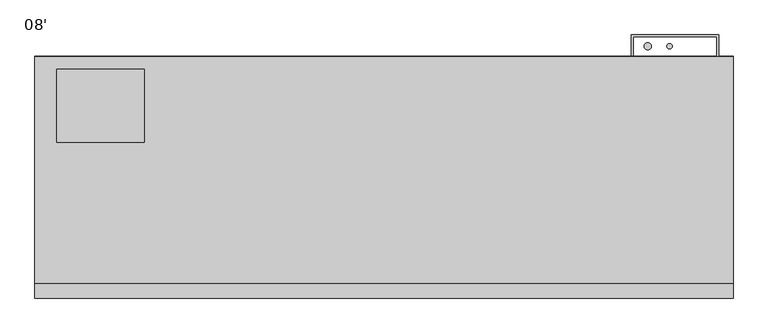
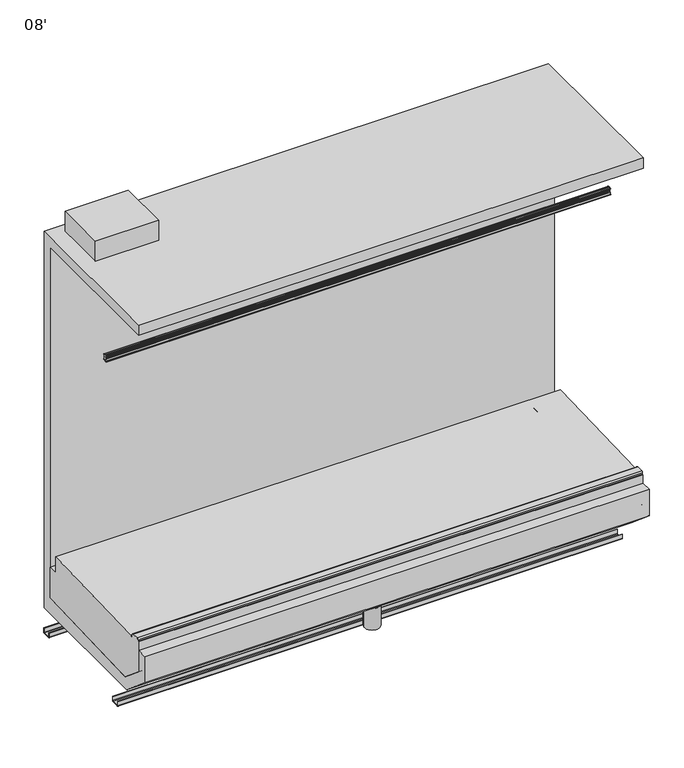
"""IFC4 building model written with IfcOpenShell, lengths in millimetres: proxy geometry, 08'."""

from ifc_helpers import new_model, si_unit, point, frame, frame_2d, origin, origin_with_axes, place, context, project, spatial, polyline, circle_curve, trimmed, segment, composite_curve, outline, extrude, source, transform, mapped, element, save
from ifc_brep_helpers import plane_surface, cylinder_surface, revolved_surface, advanced_brep


def proxy_08_468cc6ae(model_context):
    return source(origin(), model_context, "Body", "SolidModel", [
        extrude(outline(polyline([(381.0, -445.9589273), (381.0, -699.9589273), (76.2, -699.9589273), (76.2, -445.9589273), (381.0, -445.9589273)])), frame((0.0, 0.0, 2053.0), z_axis=(0.0, 0.0, 1.0), x_axis=(1.0, 0.0, 0.0)), (0.0, 0.0, 1.0), 101.6),
        extrude(outline(composite_curve([segment(trimmed(circle_curve(frame_2d((124.866634, -515.3253412)), 12.7), [point((112.166634, -515.3253412))], [point((137.566634, -515.3253412))], False, "CARTESIAN"), True, "CONTINUOUS"), segment(trimmed(circle_curve(frame_2d((124.866634, -515.3253412)), 12.7), [point((137.566634, -515.3253412))], [point((112.166634, -515.3253412))], False, "CARTESIAN"), True, "CONTINUOUS")], self_intersect=False)), frame((0.0, 0.0, 68.5310382), z_axis=(0.0, 0.0, 1.0), x_axis=(1.0, 0.0, 0.0)), (0.0, 0.0, 1.0), 6.35),
        extrude(outline(composite_curve([segment(trimmed(circle_curve(frame_2d((162.966634, -515.3253412)), 12.7), [point((150.266634, -515.3253412))], [point((175.666634, -515.3253412))], False, "CARTESIAN"), True, "CONTINUOUS"), segment(trimmed(circle_curve(frame_2d((162.966634, -515.3253412)), 12.7), [point((175.666634, -515.3253412))], [point((150.266634, -515.3253412))], False, "CARTESIAN"), True, "CONTINUOUS")], self_intersect=False)), frame((0.0, 0.0, 68.5310382), z_axis=(0.0, 0.0, 1.0), x_axis=(1.0, 0.0, 0.0)), (0.0, 0.0, 1.0), 6.35),
        advanced_brep(
        [(2438.4, -500.2639658, 449.111638), (2438.4, -1126.5028947, 427.2428927), (2438.4, -1135.3036375, 427.2438499), (2438.4, -1141.6520836, 433.4891442), (2438.4, -1141.6520836, 441.532731), (2438.4, -1148.0014586, 447.882731), (2438.4, -1181.6652736, 447.8860441), (2438.4, -1188.0158985, 441.5367347), (2438.4, -1188.0165653, 435.4058904), (2438.4, -1192.8459273, 435.4064157), (2438.4, -1192.8459273, 281.2500468), (2438.4, -1082.8646206, 188.9647729), (2438.4, -451.7851762, 211.0025527), (2438.4, -451.7851762, 367.1756257), (2438.4, -500.2639658, 367.1756257), (0.0, -500.2639658, 449.111638), (0.0, -500.2639658, 367.1756257), (0.0, -451.7851762, 367.1756257), (0.0, -451.7851762, 211.0025527), (0.0, -1082.8646206, 188.9647729), (0.0, -1192.8459273, 281.2500468), (0.0, -1192.8459273, 435.4064157), (0.0, -1188.0165653, 435.4058904), (0.0, -1188.0158985, 441.5367347), (0.0, -1181.6652736, 447.8860441), (0.0, -1148.0014586, 447.882731), (0.0, -1141.6520836, 441.532731), (0.0, -1141.6520836, 433.4891442), (0.0, -1135.3036375, 427.2438499), (0.0, -1126.5028947, 427.2428927), (2336.8, -451.7851762, 260.35), (2336.8, -451.7851762, 361.95), (2336.8, -471.3589273, 260.35), (2336.8, -471.3589273, 361.95)],
        [
            (0, 1),
            (1, 2),
            (2, 3, circle_curve(frame((2438.4, -1135.3029469, 433.5938498), z_axis=(-1.0, 0.0, 0.0), x_axis=(0.0, 1.0, 0.0)), 6.35)),
            (3, 4),
            (4, 5, circle_curve(frame((2438.4, -1148.0020836, 441.532731), z_axis=(1.0, 0.0, 0.0), x_axis=(0.0, 1.0, 0.0)), 6.35)),
            (5, 6),
            (6, 7, circle_curve(frame((2438.4, -1181.6658985, 441.5360441), z_axis=(1.0, 0.0, 0.0), x_axis=(0.0, 1.0, 0.0)), 6.35)),
            (7, 8),
            (8, 9),
            (9, 10),
            (10, 11),
            (11, 12),
            (12, 13),
            (13, 14),
            (14, 0),
            (15, 16),
            (16, 17),
            (17, 18),
            (18, 19),
            (19, 20),
            (20, 21),
            (21, 22),
            (22, 23),
            (23, 24, circle_curve(frame((0.0, -1181.6658985, 441.5360441), z_axis=(-1.0, 0.0, 0.0), x_axis=(0.0, 1.0, 0.0)), 6.35)),
            (24, 25),
            (25, 26, circle_curve(frame((0.0, -1148.0020836, 441.532731), z_axis=(-1.0, 0.0, 0.0), x_axis=(0.0, 1.0, 0.0)), 6.35)),
            (26, 27),
            (27, 28, circle_curve(frame((0.0, -1135.3029469, 433.5938498), z_axis=(1.0, 0.0, 0.0), x_axis=(0.0, 1.0, 0.0)), 6.35)),
            (28, 29),
            (29, 15),
            (12, 18),
            (17, 13),
            (30, 31, circle_curve(frame((2336.8, -451.7851762, 311.15), z_axis=(0.0, -1.0, 0.0), x_axis=(0.0, 0.0, 1.0)), 50.8)),
            (31, 30, circle_curve(frame((2336.8, -451.7851762, 311.15), z_axis=(0.0, -1.0, 0.0), x_axis=(0.0, 0.0, 1.0)), 50.8)),
            (16, 14),
            (15, 0),
            (9, 21),
            (20, 10),
            (19, 11),
            (29, 1),
            (28, 2),
            (27, 3),
            (4, 26),
            (25, 5),
            (24, 6),
            (23, 7),
            (22, 8),
            (32, 33, circle_curve(frame((2336.8, -471.3589273, 311.15), z_axis=(0.0, 1.0, 0.0), x_axis=(0.0, 0.0, 1.0)), 50.8)),
            (33, 32, circle_curve(frame((2336.8, -471.3589273, 311.15), z_axis=(0.0, 1.0, 0.0), x_axis=(0.0, 0.0, 1.0)), 50.8)),
            (33, 31),
            (30, 32),
        ],
        [
            plane_surface(frame((2438.4, -1126.5028947, 427.2428927), z_axis=(1.0000000000000002, 0.0, 0.0), x_axis=(0.0, -0.9993908270190762, -0.034899496703061944))),
            plane_surface(frame((0.0, -1126.5028947, 427.2428927), z_axis=(-1.0000000000000002, 0.0, 0.0), x_axis=(0.0, 0.9993908270190762, 0.034899496703061944))),
            plane_surface(frame((2438.4, -451.7851762, 211.0025527), z_axis=(0.0, 1.0, 0.0), x_axis=(-1.0, 0.0, 0.0))),
            plane_surface(frame((2438.4, -451.7851762, 367.1756257), z_axis=(0.0, 0.0, 1.0), x_axis=(-1.0, 0.0, 0.0))),
            plane_surface(frame((2438.4, -500.2639658, 367.1756257), z_axis=(0.0, 1.0, 0.0), x_axis=(-1.0, 0.0, 0.0))),
            plane_surface(frame((2438.4, -1192.8459273, 435.4064157), z_axis=(0.0, -1.0, 0.0), x_axis=(-1.0, 0.0, 0.0))),
            plane_surface(frame((2438.4, -1192.8459273, 281.2500468), z_axis=(0.0, -0.6427876096870722, -0.7660444431185309), x_axis=(-1.0, 0.0, 0.0))),
            plane_surface(frame((2438.4, -1082.8646206, 188.9647729), z_axis=(0.0, 0.03489949670246416, -0.999390827019097), x_axis=(-1.0, 0.0, 0.0))),
            plane_surface(frame((2438.4, -500.2639658, 449.111638), z_axis=(0.0, -0.034899496703061944, 0.9993908270190762), x_axis=(-1.0, 0.0, 0.0))),
            plane_surface(frame((2438.4, -1126.5028947, 427.2428927), z_axis=(0.0, 0.00010875852496434941, 0.9999999940857917), x_axis=(-1.0, 0.0, 0.0))),
            revolved_surface(polyline([(0.0, -1128.9529469000001, 433.5938498), (2438.4, -1128.9529469000001, 433.5938498)]), (0.0, -1135.3029469, 433.5938498), (-1.0, 0.0, 0.0)),
            cylinder_surface(frame((0.0, -1148.0020836, 441.532731), z_axis=(1.0, 0.0, 0.0), x_axis=(0.0, 1.0, 0.0)), 6.35),
            plane_surface(frame((2438.4, -1148.0014586, 447.882731), z_axis=(0.0, 9.841684243872936e-05, 0.9999999951570626), x_axis=(-1.0, 0.0, 0.0))),
            cylinder_surface(frame((0.0, -1181.6658985, 441.5360441), z_axis=(1.0, 0.0, 0.0), x_axis=(0.0, 1.0, 0.0)), 6.35),
            plane_surface(frame((2438.4, -1188.0158985, 441.5367347), z_axis=(0.0, -0.9999999940857938, 0.00010875850531839876), x_axis=(-1.0, 0.0, 0.0))),
            plane_surface(frame((2438.4, -1188.0165653, 435.4058904), z_axis=(0.0, 0.00010875840003332278, 0.9999999940858052), x_axis=(-1.0, 0.0, 0.0))),
            plane_surface(frame((2438.4, -1141.6520836, 433.4891442), z_axis=(0.0, 1.0, 0.0), x_axis=(-1.0, 0.0, 0.0))),
            plane_surface(frame((2336.8, -471.3589273, 361.95), z_axis=(0.0, 1.0, 0.0), x_axis=(-1.0, 0.0, 0.0))),
            revolved_surface(polyline([(2336.8, -471.3589273, 361.95), (2336.8, -451.7851762, 361.95)]), (2336.8, -381.990496, 311.15), (0.0, -1.0, 0.0)),
        ],
        [
            (0, [[1, 2, 3, 4, 5, 6, 7, 8, 9, 10, 11, 12, 13, 14, 15]]),
            (1, [[16, 17, 18, 19, 20, 21, 22, 23, 24, 25, 26, 27, 28, 29, 30]]),
            (2, [[-13, 31, -18, 32], [33, 34]]),
            (3, [[-14, -32, -17, 35]]),
            (4, [[-15, -35, -16, 36]]),
            (5, [[-10, 37, -21, 38]]),
            (6, [[-11, -38, -20, 39]]),
            (7, [[-12, -39, -19, -31]]),
            (8, [[-1, -36, -30, 40]]),
            (9, [[-2, -40, -29, 41]]),
            (10, [[-3, -41, -28, 42]]),
            (11, [[-5, 43, -26, 44]]),
            (12, [[-6, -44, -25, 45]]),
            (13, [[-7, -45, -24, 46]]),
            (14, [[-8, -46, -23, 47]]),
            (15, [[-9, -47, -22, -37]]),
            (16, [[-4, -42, -27, -43]]),
            (17, [[48, 49]]),
            (18, [[-49, 50, -33, 51]]),
            (18, [[-48, -51, -34, -50]]),
        ],
    ),
        advanced_brep(
        [(2438.4, -1093.449669, 130.175), (2438.4, -401.5089273, 130.175), (2438.4, -401.5089273, 2053.0), (2438.4, -1193.4788424, 2053.0), (2438.4, -1193.4788424, 2000.9165757), (2438.4, -451.7851762, 2000.9165757), (2438.4, -451.7851762, 211.0025527), (2438.4, -1082.8646206, 188.9647729), (2438.4, -1192.8459273, 281.2500468), (2438.4, -1192.8459273, 391.0306785), (2438.4, -1243.8542655, 391.0306785), (2438.4, -1243.8542655, 256.3794415), (0.0, -1093.449669, 130.175), (0.0, -1243.8542655, 256.3794415), (0.0, -1243.8542655, 391.0306785), (0.0, -1192.8459273, 391.0306785), (0.0, -1192.8459273, 281.2500468), (0.0, -1082.8646206, 188.9647729), (0.0, -451.7851762, 211.0025527), (0.0, -451.7851762, 2000.9165757), (0.0, -1193.4788424, 2000.9165757), (0.0, -1193.4788424, 2053.0), (0.0, -401.5089273, 2053.0), (0.0, -401.5089273, 130.175), (2336.8, -401.5089273, 260.35), (2336.8, -401.5089273, 361.95), (2336.8, -451.7851762, 361.95), (2336.8, -451.7851762, 260.35)],
        [
            (0, 1),
            (1, 2),
            (2, 3),
            (3, 4),
            (4, 5),
            (5, 6),
            (6, 7),
            (7, 8),
            (8, 9),
            (9, 10),
            (10, 11),
            (11, 0),
            (12, 13),
            (13, 14),
            (14, 15),
            (15, 16),
            (16, 17),
            (17, 18),
            (18, 19),
            (19, 20),
            (20, 21),
            (21, 22),
            (22, 23),
            (23, 12),
            (0, 12),
            (23, 1),
            (22, 2),
            (24, 25, circle_curve(frame((2336.8, -401.5089273, 311.15), z_axis=(0.0, -1.0, 0.0), x_axis=(0.0, 0.0, 1.0)), 50.8)),
            (25, 24, circle_curve(frame((2336.8, -401.5089273, 311.15), z_axis=(0.0, -1.0, 0.0), x_axis=(0.0, 0.0, 1.0)), 50.8)),
            (21, 3),
            (20, 4),
            (19, 5),
            (18, 6),
            (26, 27, circle_curve(frame((2336.8, -451.7851762, 311.15), z_axis=(0.0, 1.0, 0.0), x_axis=(0.0, 0.0, 1.0)), 50.8)),
            (27, 26, circle_curve(frame((2336.8, -451.7851762, 311.15), z_axis=(0.0, 1.0, 0.0), x_axis=(0.0, 0.0, 1.0)), 50.8)),
            (17, 7),
            (16, 8),
            (15, 9),
            (14, 10),
            (13, 11),
            (24, 27),
            (26, 25),
        ],
        [
            plane_surface(frame((2438.4, -401.5089273, 130.175), z_axis=(1.0, 0.0, 0.0), x_axis=(0.0, 1.0, 0.0))),
            plane_surface(frame((0.0, -401.5089273, 130.175), z_axis=(-1.0, 0.0, 0.0), x_axis=(0.0, -1.0, 0.0))),
            plane_surface(frame((2438.4, -1093.449669, 130.175), z_axis=(0.0, 0.0, -1.0), x_axis=(-1.0, 0.0, 0.0))),
            plane_surface(frame((2438.4, -401.5089273, 130.175), z_axis=(0.0, 1.0, 0.0), x_axis=(-1.0, 0.0, 0.0))),
            plane_surface(frame((2438.4, -401.5089273, 2053.0), z_axis=(0.0, 0.0, 1.0), x_axis=(-1.0, 0.0, 0.0))),
            plane_surface(frame((2438.4, -1193.4788424, 2053.0), z_axis=(0.0, -1.0, 0.0), x_axis=(-1.0, 0.0, 0.0))),
            plane_surface(frame((2438.4, -1193.4788424, 2000.9165757), z_axis=(0.0, 0.0, -1.0), x_axis=(-1.0, 0.0, 0.0))),
            plane_surface(frame((2438.4, -451.7851762, 2000.9165757), z_axis=(0.0, -1.0, 0.0), x_axis=(-1.0, 0.0, 0.0))),
            plane_surface(frame((2438.4, -451.7851762, 211.0025527), z_axis=(0.0, -0.03489949670246416, 0.999390827019097), x_axis=(-1.0, 0.0, 0.0))),
            plane_surface(frame((2438.4, -1082.8646206, 188.9647729), z_axis=(0.0, 0.6427876096870722, 0.7660444431185309), x_axis=(-1.0, 0.0, 0.0))),
            plane_surface(frame((2438.4, -1192.8459273, 281.2500468), z_axis=(0.0, 1.0, 0.0), x_axis=(-1.0, 0.0, 0.0))),
            plane_surface(frame((2438.4, -1192.8459273, 391.0306785), z_axis=(0.0, 0.0, 1.0), x_axis=(-1.0, 0.0, 0.0))),
            plane_surface(frame((2438.4, -1243.8542655, 391.0306785), z_axis=(0.0, -1.0, 0.0), x_axis=(-1.0, 0.0, 0.0))),
            plane_surface(frame((2438.4, -1243.8542655, 256.3794415), z_axis=(0.0, -0.6427876096870824, -0.7660444431185224), x_axis=(-1.0, 0.0, 0.0))),
            revolved_surface(polyline([(2336.8, -451.7851762, 361.95), (2336.8, -401.5089273, 361.95)]), (2336.8, -381.990496, 311.15), (0.0, -1.0, 0.0)),
        ],
        [
            (0, [[1, 2, 3, 4, 5, 6, 7, 8, 9, 10, 11, 12]]),
            (1, [[13, 14, 15, 16, 17, 18, 19, 20, 21, 22, 23, 24]]),
            (2, [[-1, 25, -24, 26]]),
            (3, [[-2, -26, -23, 27], [28, 29]]),
            (4, [[-3, -27, -22, 30]]),
            (5, [[-4, -30, -21, 31]]),
            (6, [[-5, -31, -20, 32]]),
            (7, [[-6, -32, -19, 33], [34, 35]]),
            (8, [[-7, -33, -18, 36]]),
            (9, [[-8, -36, -17, 37]]),
            (10, [[-9, -37, -16, 38]]),
            (11, [[-10, -38, -15, 39]]),
            (12, [[-11, -39, -14, 40]]),
            (13, [[-12, -40, -13, -25]]),
            (14, [[41, -34, 42, -28]]),
            (14, [[-41, -29, -42, -35]]),
        ],
    ),
        extrude(outline(composite_curve([segment(polyline([(-401.5089273, 24.892), (-398.7403273, 24.892), (-398.7403273, 5.1562)]), True, "CONTINUOUS"), segment(trimmed(circle_curve(frame_2d((-403.8965273, 5.1562)), 5.1562), [point((-398.7403273, 5.1562))], [point((-399.435967, 2.5697351))], False, "CARTESIAN"), True, "CONTINUOUS"), segment(trimmed(circle_curve(frame_2d((-403.8965273, 5.1562)), 5.1562), [point((-399.435967, 2.5697351))], [point((-403.8965273, 0.0))], False, "CARTESIAN"), True, "CONTINUOUS"), segment(polyline([(-403.8965273, 0.0), (-438.8088273, 0.0)]), True, "CONTINUOUS"), segment(trimmed(circle_curve(frame_2d((-438.8088273, 5.1562)), 5.1562), [point((-438.8088273, 0.0))], [point((-443.9650273, 5.1562))], False, "CARTESIAN"), True, "CONTINUOUS"), segment(polyline([(-443.9650273, 5.1562), (-443.9650273, 24.9047), (-441.1964273, 24.9047), (-441.1964273, 5.1562)]), True, "CONTINUOUS"), segment(trimmed(circle_curve(frame_2d((-438.8088273, 5.1562)), 2.3876), [point((-441.1964273, 5.1562))], [point((-438.8088273, 2.7686))], True, "CARTESIAN"), True, "CONTINUOUS"), segment(polyline([(-438.8088273, 2.7686), (-403.8965273, 2.7686)]), True, "CONTINUOUS"), segment(trimmed(circle_curve(frame_2d((-403.8965273, 5.1562)), 2.3876), [point((-403.8965273, 2.7686))], [point((-401.5089273, 5.1562))], True, "CARTESIAN"), True, "CONTINUOUS"), segment(polyline([(-401.5089273, 5.1562), (-401.5089273, 24.892)]), True, "CONTINUOUS")], self_intersect=False)), frame((0.0, 0.0, 0.0), z_axis=(1.0, 0.0, 0.0), x_axis=(0.0, 1.0, 0.0)), (0.0, 0.0, 1.0), 2438.4),
        extrude(outline(composite_curve([segment(trimmed(circle_curve(frame_2d((1219.2, -1036.5089273)), 38.1), [point((1181.1, -1036.5089273))], [point((1257.3, -1036.5089273))], False, "CARTESIAN"), True, "CONTINUOUS"), segment(trimmed(circle_curve(frame_2d((1219.2, -1036.5089273)), 38.1), [point((1257.3, -1036.5089273))], [point((1181.1, -1036.5089273))], False, "CARTESIAN"), True, "CONTINUOUS")], self_intersect=False)), origin_with_axes(), (0.0, 0.0, 1.0), 109.7534),
        extrude(outline(composite_curve([segment(trimmed(circle_curve(frame_2d((311.15, 2359.6101353)), 12.7), [point((298.45, 2359.6101353))], [point((323.85, 2359.6101353))], False, "CARTESIAN"), True, "CONTINUOUS"), segment(trimmed(circle_curve(frame_2d((311.15, 2359.6101353)), 12.7), [point((323.85, 2359.6101353))], [point((298.45, 2359.6101353))], False, "CARTESIAN"), True, "CONTINUOUS")], self_intersect=False)), frame((0.0, -471.3589273, 0.0), z_axis=(0.0, 1.0, 0.0), x_axis=(0.0, 0.0, 1.0)), (0.0, 0.0, 1.0), 69.85),
        extrude(outline(composite_curve([segment(trimmed(circle_curve(frame_2d((311.15, 2313.9898647)), 9.525), [point((301.625, 2313.9898647))], [point((320.675, 2313.9898647))], False, "CARTESIAN"), True, "CONTINUOUS"), segment(trimmed(circle_curve(frame_2d((311.15, 2313.9898647)), 9.525), [point((320.675, 2313.9898647))], [point((301.625, 2313.9898647))], False, "CARTESIAN"), True, "CONTINUOUS")], self_intersect=False)), frame((0.0, -471.3589273, 0.0), z_axis=(0.0, 1.0, 0.0), x_axis=(0.0, 0.0, 1.0)), (0.0, 0.0, 1.0), 69.85),
        extrude(outline(polyline([(2381.818325, -330.9058645), (2089.718325, -330.9058645), (2089.718325, -398.7403273), (2083.368325, -398.7403273), (2083.368325, -325.3089273), (2388.168325, -325.3089273), (2388.168325, -401.5089273), (2381.818325, -401.5089273), (2381.818325, -330.9058645)])), frame((0.0, 0.0, 206.3320589), z_axis=(0.0, 0.0, 1.0), x_axis=(1.0, 0.0, 0.0)), (0.0, 0.0, 1.0), 1452.7159789),
        extrude(outline(composite_curve([segment(trimmed(circle_curve(frame_2d((2140.518325, -364.899036)), 12.7), [point((2127.818325, -364.899036))], [point((2153.218325, -364.899036))], False, "CARTESIAN"), True, "CONTINUOUS"), segment(trimmed(circle_curve(frame_2d((2140.518325, -364.899036)), 12.7), [point((2153.218325, -364.899036))], [point((2127.818325, -364.899036))], False, "CARTESIAN"), True, "CONTINUOUS")], self_intersect=False)), frame((0.0, 0.0, 1562.7753116), z_axis=(0.0, 0.0, 1.0), x_axis=(1.0, 0.0, 0.0)), (0.0, 0.0, 1.0), 159.9413001),
        extrude(outline(composite_curve([segment(trimmed(circle_curve(frame_2d((2216.718325, -364.899036)), 9.525), [point((2207.193325, -364.899036))], [point((2226.243325, -364.899036))], False, "CARTESIAN"), True, "CONTINUOUS"), segment(trimmed(circle_curve(frame_2d((2216.718325, -364.899036)), 9.525), [point((2226.243325, -364.899036))], [point((2207.193325, -364.899036))], False, "CARTESIAN"), True, "CONTINUOUS")], self_intersect=False)), frame((0.0, 0.0, 1562.7753116), z_axis=(0.0, 0.0, 1.0), x_axis=(1.0, 0.0, 0.0)), (0.0, 0.0, 1.0), 159.9413001),
        extrude(outline(composite_curve([segment(polyline([(-977.7506561, 24.892), (-974.9820561, 24.892), (-974.9820561, 5.1562)]), True, "CONTINUOUS"), segment(trimmed(circle_curve(frame_2d((-980.1382561, 5.1562)), 5.1562), [point((-974.9820561, 5.1562))], [point((-975.6776958, 2.5697351))], False, "CARTESIAN"), True, "CONTINUOUS"), segment(trimmed(circle_curve(frame_2d((-980.1382561, 5.1562)), 5.1562), [point((-975.6776958, 2.5697351))], [point((-980.1382561, 0.0))], False, "CARTESIAN"), True, "CONTINUOUS"), segment(polyline([(-980.1382561, 0.0), (-1015.0505561, 0.0)]), True, "CONTINUOUS"), segment(trimmed(circle_curve(frame_2d((-1015.0505561, 5.1562)), 5.1562), [point((-1015.0505561, 0.0))], [point((-1020.2067561, 5.1562))], False, "CARTESIAN"), True, "CONTINUOUS"), segment(polyline([(-1020.2067561, 5.1562), (-1020.2067561, 24.9047), (-1017.4381561, 24.9047), (-1017.4381561, 5.1562)]), True, "CONTINUOUS"), segment(trimmed(circle_curve(frame_2d((-1015.0505561, 5.1562)), 2.3876), [point((-1017.4381561, 5.1562))], [point((-1015.0505561, 2.7686))], True, "CARTESIAN"), True, "CONTINUOUS"), segment(polyline([(-1015.0505561, 2.7686), (-980.1382561, 2.7686)]), True, "CONTINUOUS"), segment(trimmed(circle_curve(frame_2d((-980.1382561, 5.1562)), 2.3876), [point((-980.1382561, 2.7686))], [point((-977.7506561, 5.1562))], True, "CARTESIAN"), True, "CONTINUOUS"), segment(polyline([(-977.7506561, 5.1562), (-977.7506561, 24.892)]), True, "CONTINUOUS")], self_intersect=False)), frame((0.0, 0.0, 0.0), z_axis=(1.0, 0.0, 0.0), x_axis=(0.0, 1.0, 0.0)), (0.0, 0.0, 1.0), 2438.4),
        advanced_brep(
        [(2438.4, -902.6931295, 1727.3075286), (2438.4, -901.7243099, 1727.6885286), (2438.4, -902.8390735, 1730.5231871), (2438.4, -905.9012623, 1732.6167077), (2438.4, -908.3652606, 1732.6247138), (2438.4, -908.3652606, 1704.0828354), (2438.4, -910.4874517, 1701.5774341), (2438.4, -914.7493725, 1700.8731899), (2438.4, -917.4469208, 1704.4916046), (2438.4, -914.3596606, 1717.0478082), (2438.4, -914.3596606, 1732.6247138), (2438.4, -919.5201751, 1732.6247138), (2438.4, -920.545241, 1732.1045613), (2438.4, -921.6281952, 1729.8544831), (2438.4, -920.6442857, 1729.6607751), (2438.4, -920.0507066, 1731.2579447), (2438.4, -919.2029406, 1731.4273519), (2438.4, -917.1624717, 1728.3298316), (2438.4, -916.2734717, 1728.3298316), (2438.4, -916.2734717, 1723.5154593), (2438.4, -915.4867719, 1723.3208329), (2438.4, -916.2860613, 1720.0900228), (2438.4, -916.3394429, 1717.0318787), (2438.4, -916.382618, 1715.9093735), (2438.4, -916.5259319, 1714.2657553), (2438.4, -916.9841164, 1711.5098777), (2438.4, -917.3803385, 1709.9083074), (2438.4, -921.1921567, 1701.6305848), (2438.4, -922.0946495, 1701.7496918), (2438.4, -922.5752577, 1703.1954368), (2438.4, -923.5448561, 1702.9314817), (2438.4, -923.1493051, 1701.7804452), (2438.4, -917.5263496, 1698.0213504), (2438.4, -904.9718522, 1700.0874013), (2438.4, -902.4051937, 1702.2161722), (2438.4, -901.4299592, 1704.8954615), (2438.4, -902.4324233, 1705.2603286), (2438.4, -903.2891388, 1703.4720652), (2438.4, -906.910186, 1704.3817952), (2438.4, -907.0320908, 1728.1919806), (2438.4, -903.357335, 1728.9956276), (0.0, -902.6931295, 1727.3075286), (0.0, -903.357335, 1728.9956276), (0.0, -907.0320908, 1728.1919806), (0.0, -906.910186, 1704.3817952), (0.0, -903.2891388, 1703.4720652), (0.0, -902.4324233, 1705.2603286), (0.0, -901.4299592, 1704.8954615), (0.0, -902.4051937, 1702.2161722), (0.0, -904.9718522, 1700.0874013), (0.0, -917.5263496, 1698.0213504), (0.0, -923.149286, 1701.7804537), (0.0, -923.5448561, 1702.9314817), (0.0, -922.5752577, 1703.1954368), (0.0, -922.0946495, 1701.7496918), (0.0, -921.1921848, 1701.6306037), (0.0, -917.3803385, 1709.9083074), (0.0, -916.9841164, 1711.5098777), (0.0, -916.5259319, 1714.2657553), (0.0, -916.382618, 1715.9093735), (0.0, -916.3394429, 1717.0318787), (0.0, -916.2860613, 1720.0900228), (0.0, -915.4867719, 1723.3208329), (0.0, -916.2734717, 1723.5154593), (0.0, -916.2734717, 1728.3298316), (0.0, -917.1624717, 1728.3298316), (0.0, -919.2029343, 1731.4273578), (0.0, -920.0507066, 1731.2579447), (0.0, -920.6442857, 1729.6607751), (0.0, -921.6281903, 1729.8544818), (0.0, -920.5452539, 1732.1045707), (0.0, -919.5201751, 1732.6247012), (0.0, -914.3596606, 1732.6247138), (0.0, -914.3596606, 1717.0478082), (0.0, -917.4469208, 1704.4916046), (0.0, -914.7493725, 1700.8731899), (0.0, -910.4874517, 1701.5774341), (0.0, -908.3652606, 1704.0828354), (0.0, -908.3652606, 1732.6247138), (0.0, -905.9012623, 1732.6167077), (0.0, -902.8390735, 1730.5231871), (0.0, -901.7243099, 1727.6885286)],
        [
            (0, 1),
            (1, 2),
            (2, 3, circle_curve(frame((2438.4, -905.9119913, 1729.3147251), z_axis=(1.0, 0.0, 0.0), x_axis=(0.0, 1.0, 0.0)), 3.302)),
            (3, 4),
            (4, 5),
            (5, 6, circle_curve(frame((2438.4, -910.9052606, 1704.0828354), z_axis=(-1.0, 0.0, 0.0), x_axis=(0.0, 1.0, 0.0)), 2.54)),
            (6, 7),
            (7, 8, circle_curve(frame((2438.4, -915.163469, 1703.3792046), z_axis=(-1.0, 0.0, 0.0), x_axis=(0.0, 1.0, 0.0)), 2.5399972)),
            (8, 9, circle_curve(frame((2438.4, -945.8394817, 1718.130276), z_axis=(1.0, 0.0, 0.0), x_axis=(0.0, 1.0, 0.0)), 31.4984265)),
            (9, 10),
            (10, 11),
            (11, 12, circle_curve(frame((2438.4, -919.5202548, 1731.3547138), z_axis=(1.0, 0.0, 0.0), x_axis=(0.0, 1.0, 0.0)), 1.2699874)),
            (12, 13, circle_curve(frame((2438.4, -915.0105356, 1728.0551268), z_axis=(1.0, 0.0, 0.0), x_axis=(0.0, 1.0, 0.0)), 6.8579226)),
            (13, 14, circle_curve(frame((2438.4, -921.143137, 1729.722586), z_axis=(1.0, 0.0, 0.0), x_axis=(0.0, 1.0, 0.0)), 0.5026661)),
            (14, 15),
            (15, 16, circle_curve(frame((2438.4, -919.5745346, 1731.080978), z_axis=(-1.0, 0.0, 0.0), x_axis=(0.0, 1.0, 0.0)), 0.5079931)),
            (16, 17, circle_curve(frame((2438.4, -927.3217632, 1723.8583356), z_axis=(-1.0, 0.0, 0.0), x_axis=(0.0, 1.0, 0.0)), 11.0997964)),
            (17, 18),
            (18, 19),
            (19, 20),
            (20, 21),
            (21, 22),
            (22, 23, circle_curve(frame((2438.4, -944.909409, 1717.568686), z_axis=(-1.0, 0.0, 0.0), x_axis=(0.0, 1.0, 0.0)), 28.5750087)),
            (23, 24, circle_curve(frame((2438.4, -916.847274, 1715.1218316), z_axis=(-1.0, 0.0, 0.0), x_axis=(0.0, 1.0, 0.0)), 0.9144)),
            (24, 25, circle_curve(frame((2438.4, -944.909409, 1717.568686), z_axis=(-1.0, 0.0, 0.0), x_axis=(0.0, 1.0, 0.0)), 28.5750087)),
            (25, 26, circle_curve(frame((2438.4, -917.5651726, 1710.8038316), z_axis=(-1.0, 0.0, 0.0), x_axis=(0.0, 1.0, 0.0)), 0.9144)),
            (26, 27, circle_curve(frame((2438.4, -944.909409, 1717.568686), z_axis=(-1.0, 0.0, 0.0), x_axis=(0.0, 1.0, 0.0)), 28.5750087)),
            (27, 28, circle_curve(frame((2438.4, -921.6139006, 1701.9138278), z_axis=(-1.0, 0.0, 0.0), x_axis=(0.0, 1.0, 0.0)), 0.5079962)),
            (28, 29),
            (29, 30, circle_curve(frame((2438.4, -923.0561634, 1703.049157), z_axis=(1.0, 0.0, 0.0), x_axis=(0.0, 1.0, 0.0)), 0.502661)),
            (30, 31, circle_curve(frame((2438.4, -916.8870114, 1704.575951), z_axis=(1.0, 0.0, 0.0), x_axis=(0.0, 1.0, 0.0)), 6.857928)),
            (31, 32, circle_curve(frame((2438.4, -917.3508154, 1704.3689156), z_axis=(1.0, 0.0, 0.0), x_axis=(0.0, 1.0, 0.0)), 6.3499919)),
            (32, 33),
            (33, 34, circle_curve(frame((2438.4, -905.508039, 1703.3455768), z_axis=(1.0, 0.0, 0.0), x_axis=(0.0, 1.0, 0.0)), 3.302)),
            (34, 35),
            (35, 36),
            (36, 37),
            (37, 38, circle_curve(frame((2438.4, -905.0071585, 1704.2951286), z_axis=(-1.0, 0.0, 0.0), x_axis=(0.0, 1.0, 0.0)), 1.905)),
            (38, 39, circle_curve(frame((2438.4, -1141.9102596, 1715.0840326), z_axis=(1.0, 0.0, 0.0), x_axis=(0.0, 1.0, 0.0)), 235.2436449)),
            (39, 40, circle_curve(frame((2438.4, -905.1300505, 1728.2981286), z_axis=(-1.0, 0.0, 0.0), x_axis=(0.0, 1.0, 0.0)), 1.905)),
            (40, 0),
            (41, 42),
            (42, 43, circle_curve(frame((0.0, -905.1300505, 1728.2981286), z_axis=(1.0, 0.0, 0.0), x_axis=(0.0, 1.0, 0.0)), 1.905)),
            (43, 44, circle_curve(frame((0.0, -1141.9102596, 1715.0840326), z_axis=(-1.0, 0.0, 0.0), x_axis=(0.0, 1.0, 0.0)), 235.2436449)),
            (44, 45, circle_curve(frame((0.0, -905.0071585, 1704.2951286), z_axis=(1.0, 0.0, 0.0), x_axis=(0.0, 1.0, 0.0)), 1.905)),
            (45, 46),
            (46, 47),
            (47, 48),
            (48, 49, circle_curve(frame((0.0, -905.508039, 1703.3455768), z_axis=(-1.0, 0.0, 0.0), x_axis=(0.0, 1.0, 0.0)), 3.302)),
            (49, 50),
            (50, 51, circle_curve(frame((0.0, -917.3508154, 1704.3689156), z_axis=(-1.0, 0.0, 0.0), x_axis=(0.0, 1.0, 0.0)), 6.3499919)),
            (51, 52, circle_curve(frame((0.0, -916.8870114, 1704.575951), z_axis=(-1.0, 0.0, 0.0), x_axis=(0.0, 1.0, 0.0)), 6.857928)),
            (52, 53, circle_curve(frame((0.0, -923.0561634, 1703.049157), z_axis=(-1.0, 0.0, 0.0), x_axis=(0.0, 1.0, 0.0)), 0.502661)),
            (53, 54),
            (54, 55, circle_curve(frame((0.0, -921.6139006, 1701.9138278), z_axis=(1.0, 0.0, 0.0), x_axis=(0.0, 1.0, 0.0)), 0.5079962)),
            (55, 56, circle_curve(frame((0.0, -944.909409, 1717.568686), z_axis=(1.0, 0.0, 0.0), x_axis=(0.0, 1.0, 0.0)), 28.5750087)),
            (56, 57, circle_curve(frame((0.0, -917.5651726, 1710.8038316), z_axis=(1.0, 0.0, 0.0), x_axis=(0.0, 1.0, 0.0)), 0.9144)),
            (57, 58, circle_curve(frame((0.0, -944.909409, 1717.568686), z_axis=(1.0, 0.0, 0.0), x_axis=(0.0, 1.0, 0.0)), 28.5750087)),
            (58, 59, circle_curve(frame((0.0, -916.847274, 1715.1218316), z_axis=(1.0, 0.0, 0.0), x_axis=(0.0, 1.0, 0.0)), 0.9144)),
            (59, 60, circle_curve(frame((0.0, -944.909409, 1717.568686), z_axis=(1.0, 0.0, 0.0), x_axis=(0.0, 1.0, 0.0)), 28.5750087)),
            (60, 61),
            (61, 62),
            (62, 63),
            (63, 64),
            (64, 65),
            (65, 66, circle_curve(frame((0.0, -927.3217632, 1723.8583356), z_axis=(1.0, 0.0, 0.0), x_axis=(0.0, 1.0, 0.0)), 11.0997964)),
            (66, 67, circle_curve(frame((0.0, -919.5745346, 1731.080978), z_axis=(1.0, 0.0, 0.0), x_axis=(0.0, 1.0, 0.0)), 0.5079931)),
            (67, 68),
            (68, 69, circle_curve(frame((0.0, -921.143137, 1729.722586), z_axis=(-1.0, 0.0, 0.0), x_axis=(0.0, 1.0, 0.0)), 0.5026661)),
            (69, 70, circle_curve(frame((0.0, -915.0105356, 1728.0551268), z_axis=(-1.0, 0.0, 0.0), x_axis=(0.0, 1.0, 0.0)), 6.8579226)),
            (70, 71, circle_curve(frame((0.0, -919.5202548, 1731.3547138), z_axis=(-1.0, 0.0, 0.0), x_axis=(0.0, 1.0, 0.0)), 1.2699874)),
            (71, 72),
            (72, 73),
            (73, 74, circle_curve(frame((0.0, -945.8394817, 1718.130276), z_axis=(-1.0, 0.0, 0.0), x_axis=(0.0, 1.0, 0.0)), 31.4984265)),
            (74, 75, circle_curve(frame((0.0, -915.163469, 1703.3792046), z_axis=(1.0, 0.0, 0.0), x_axis=(0.0, 1.0, 0.0)), 2.5399972)),
            (75, 76),
            (76, 77, circle_curve(frame((0.0, -910.9052606, 1704.0828354), z_axis=(1.0, 0.0, 0.0), x_axis=(0.0, 1.0, 0.0)), 2.54)),
            (77, 78),
            (78, 79),
            (79, 80, circle_curve(frame((0.0, -905.9119913, 1729.3147251), z_axis=(-1.0, 0.0, 0.0), x_axis=(0.0, 1.0, 0.0)), 3.302)),
            (80, 81),
            (81, 41),
            (0, 41),
            (81, 1),
            (80, 2),
            (79, 3),
            (78, 4),
            (77, 5),
            (76, 6),
            (75, 7),
            (74, 8),
            (73, 9),
            (72, 10),
            (71, 11),
            (70, 12),
            (69, 13),
            (68, 14),
            (67, 15),
            (66, 16),
            (65, 17),
            (64, 18),
            (63, 19),
            (62, 20),
            (61, 21),
            (60, 22),
            (59, 23),
            (58, 24),
            (57, 25),
            (56, 26),
            (55, 27),
            (54, 28),
            (53, 29),
            (52, 30),
            (51, 31),
            (50, 32),
            (49, 33),
            (48, 34),
            (47, 35),
            (46, 36),
            (45, 37),
            (44, 38),
            (43, 39),
            (42, 40),
        ],
        [
            plane_surface(frame((2438.4, -901.7243099, 1727.6885286), z_axis=(1.0, 0.0, 0.0), x_axis=(0.0, 0.9306231900674675, 0.36597879461609556))),
            plane_surface(frame((0.0, -901.7243099, 1727.6885286), z_axis=(-1.0, 0.0, 0.0), x_axis=(0.0, -0.9306231900674675, -0.36597879461609556))),
            plane_surface(frame((2438.4, -902.6931295, 1727.3075286), z_axis=(0.0, 0.36597879461609556, -0.9306231900674675), x_axis=(-1.0, 0.0, 0.0))),
            plane_surface(frame((2438.4, -901.7243099, 1727.6885286), z_axis=(0.0, 0.9306231900759734, 0.3659787945944668), x_axis=(-1.0, 0.0, 0.0))),
            cylinder_surface(frame((0.0, -905.9119913, 1729.3147251), z_axis=(1.0, 0.0, 0.0), x_axis=(0.0, 1.0, 0.0)), 3.302),
            plane_surface(frame((2438.4, -905.9012623, 1732.6167077), z_axis=(0.0, 0.0032492421037266625, 0.9999947211989428), x_axis=(-1.0, 0.0, 0.0))),
            plane_surface(frame((2438.4, -908.3652606, 1732.6247138), z_axis=(0.0, -1.0, 0.0), x_axis=(-1.0, 0.0, 0.0))),
            revolved_surface(polyline([(0.0, -908.3652606, 1704.0828354), (2438.4, -908.3652606, 1704.0828354)]), (0.0, -910.9052606, 1704.0828354), (-1.0, 0.0, 0.0)),
            plane_surface(frame((2438.4, -910.4874517, 1701.5774341), z_axis=(0.0, -0.16303029417402248, 0.9866210636214553), x_axis=(-1.0, 0.0, 0.0))),
            revolved_surface(polyline([(0.0, -912.6234718, 1703.3792046), (2438.4, -912.6234718, 1703.3792046)]), (0.0, -915.163469, 1703.3792046), (-1.0, 0.0, 0.0)),
            cylinder_surface(frame((0.0, -945.8394817, 1718.130276), z_axis=(1.0, 0.0, 0.0), x_axis=(0.0, 1.0, 0.0)), 31.4984265),
            plane_surface(frame((2438.4, -914.3596606, 1717.0478082), z_axis=(0.0, 1.0, 0.0), x_axis=(-1.0, 0.0, 0.0))),
            plane_surface(frame((2438.4, -914.3596606, 1732.6247138), z_axis=(0.0, -1.119160319973389e-12, 1.0), x_axis=(-1.0, 0.0, 0.0))),
            cylinder_surface(frame((0.0, -919.5202548, 1731.3547138), z_axis=(1.0, 0.0, 0.0), x_axis=(0.0, 1.0, 0.0)), 1.2699874),
            cylinder_surface(frame((0.0, -915.0105356, 1728.0551268), z_axis=(1.0, 0.0, 0.0), x_axis=(0.0, 1.0, 0.0)), 6.8579226),
            cylinder_surface(frame((0.0, -921.143137, 1729.722586), z_axis=(1.0, 0.0, 0.0), x_axis=(0.0, 1.0, 0.0)), 0.5026661),
            plane_surface(frame((2438.4, -920.6442857, 1729.6607751), z_axis=(0.0, 0.9373592211117492, -0.34836430729449747), x_axis=(-1.0, 0.0, 0.0))),
            revolved_surface(polyline([(0.0, -919.0665415, 1731.080978), (2438.4, -919.0665415, 1731.080978)]), (0.0, -919.5745346, 1731.080978), (-1.0, 0.0, 0.0)),
            revolved_surface(polyline([(0.0, -916.2219668, 1723.8583356), (2438.4, -916.2219668, 1723.8583356)]), (0.0, -927.3217632, 1723.8583356), (-1.0, 0.0, 0.0)),
            plane_surface(frame((2438.4, -917.1624717, 1728.3298316), z_axis=(0.0, 3.0451831539108525e-12, -1.0), x_axis=(-1.0, 0.0, 0.0))),
            plane_surface(frame((2438.4, -916.2734717, 1728.3298316), z_axis=(0.0, -1.0, 0.0), x_axis=(-1.0, 0.0, 0.0))),
            plane_surface(frame((2438.4, -916.2734717, 1723.5154593), z_axis=(0.0, -0.24015578728025933, -0.9707343600778736), x_axis=(-1.0, 0.0, 0.0))),
            plane_surface(frame((2438.4, -915.4867719, 1723.3208329), z_axis=(0.0, -0.9707343600778305, 0.2401557872804336), x_axis=(-1.0, 0.0, 0.0))),
            plane_surface(frame((2438.4, -916.2860613, 1720.0900228), z_axis=(0.0, -0.9998476868214559, 0.017452883938876798), x_axis=(-1.0, 0.0, 0.0))),
            revolved_surface(polyline([(0.0, -916.3344003, 1717.568686), (2438.4, -916.3344003, 1717.568686)]), (0.0, -944.909409, 1717.568686), (-1.0, 0.0, 0.0)),
            revolved_surface(polyline([(0.0, -915.932874, 1715.1218316), (2438.4, -915.932874, 1715.1218316)]), (0.0, -916.847274, 1715.1218316), (-1.0, 0.0, 0.0)),
            revolved_surface(polyline([(0.0, -916.6507726, 1710.8038316), (2438.4, -916.6507726, 1710.8038316)]), (0.0, -917.5651726, 1710.8038316), (-1.0, 0.0, 0.0)),
            revolved_surface(polyline([(0.0, -921.1059044, 1701.9138278), (2438.4, -921.1059044, 1701.9138278)]), (0.0, -921.6139006, 1701.9138278), (-1.0, 0.0, 0.0)),
            plane_surface(frame((2438.4, -922.0946495, 1701.7496918), z_axis=(0.0, 0.9489403078347962, 0.3154556897036448), x_axis=(-1.0, 0.0, 0.0))),
            cylinder_surface(frame((0.0, -923.0561634, 1703.049157), z_axis=(1.0, 0.0, 0.0), x_axis=(0.0, 1.0, 0.0)), 0.502661),
            cylinder_surface(frame((0.0, -916.8870114, 1704.575951), z_axis=(1.0, 0.0, 0.0), x_axis=(0.0, 1.0, 0.0)), 6.857928),
            cylinder_surface(frame((0.0, -917.3508154, 1704.3689156), z_axis=(1.0, 0.0, 0.0), x_axis=(0.0, 1.0, 0.0)), 6.3499919),
            plane_surface(frame((2438.4, -917.5263496, 1698.0213504), z_axis=(0.0, 0.16238245504540536, -0.9867278947579353), x_axis=(-1.0, 0.0, 0.0))),
            cylinder_surface(frame((0.0, -905.508039, 1703.3455768), z_axis=(1.0, 0.0, 0.0), x_axis=(0.0, 1.0, 0.0)), 3.302),
            plane_surface(frame((2438.4, -902.4051937, 1702.2161722), z_axis=(0.0, 0.9396866512804775, -0.3420365439617273), x_axis=(-1.0, 0.0, 0.0))),
            plane_surface(frame((2438.4, -901.4299592, 1704.8954615), z_axis=(0.0, 0.342020143308865, 0.9396926207920244), x_axis=(-1.0, 0.0, 0.0))),
            plane_surface(frame((2438.4, -902.4324233, 1705.2603286), z_axis=(0.0, -0.9018476084868239, 0.4320542686591541), x_axis=(-1.0, 0.0, 0.0))),
            revolved_surface(polyline([(0.0, -903.1021585, 1704.2951286), (2438.4, -903.1021585, 1704.2951286)]), (0.0, -905.0071585, 1704.2951286), (-1.0, 0.0, 0.0)),
            cylinder_surface(frame((0.0, -1141.9102596, 1715.0840326), z_axis=(1.0, 0.0, 0.0), x_axis=(0.0, 1.0, 0.0)), 235.2436449),
            revolved_surface(polyline([(0.0, -903.2250505000001, 1728.2981286), (2438.4, -903.2250505000001, 1728.2981286)]), (0.0, -905.1300505, 1728.2981286), (-1.0, 0.0, 0.0)),
            plane_surface(frame((2438.4, -903.357335, 1728.9956276), z_axis=(0.0, -0.93055930054145, -0.36614121343520956), x_axis=(-1.0, 0.0, 0.0))),
        ],
        [
            (0, [[1, 2, 3, 4, 5, 6, 7, 8, 9, 10, 11, 12, 13, 14, 15, 16, 17, 18, 19, 20, 21, 22, 23, 24, 25, 26, 27, 28, 29, 30, 31, 32, 33, 34, 35, 36, 37, 38, 39, 40, 41]]),
            (1, [[42, 43, 44, 45, 46, 47, 48, 49, 50, 51, 52, 53, 54, 55, 56, 57, 58, 59, 60, 61, 62, 63, 64, 65, 66, 67, 68, 69, 70, 71, 72, 73, 74, 75, 76, 77, 78, 79, 80, 81, 82]]),
            (2, [[-1, 83, -82, 84]]),
            (3, [[-2, -84, -81, 85]]),
            (4, [[-3, -85, -80, 86]]),
            (5, [[-4, -86, -79, 87]]),
            (6, [[-5, -87, -78, 88]]),
            (7, [[-6, -88, -77, 89]]),
            (8, [[-7, -89, -76, 90]]),
            (9, [[-8, -90, -75, 91]]),
            (10, [[-9, -91, -74, 92]]),
            (11, [[-10, -92, -73, 93]]),
            (12, [[-11, -93, -72, 94]]),
            (13, [[-12, -94, -71, 95]]),
            (14, [[-13, -95, -70, 96]]),
            (15, [[-14, -96, -69, 97]]),
            (16, [[-15, -97, -68, 98]]),
            (17, [[-16, -98, -67, 99]]),
            (18, [[-17, -99, -66, 100]]),
            (19, [[-18, -100, -65, 101]]),
            (20, [[-19, -101, -64, 102]]),
            (21, [[-20, -102, -63, 103]]),
            (22, [[-21, -103, -62, 104]]),
            (23, [[-22, -104, -61, 105]]),
            (24, [[-23, -105, -60, 106]]),
            (25, [[-24, -106, -59, 107]]),
            (24, [[-25, -107, -58, 108]]),
            (26, [[-26, -108, -57, 109]]),
            (24, [[-27, -109, -56, 110]]),
            (27, [[-28, -110, -55, 111]]),
            (28, [[-29, -111, -54, 112]]),
            (29, [[-30, -112, -53, 113]]),
            (30, [[-31, -113, -52, 114]]),
            (31, [[-32, -114, -51, 115]]),
            (32, [[-33, -115, -50, 116]]),
            (33, [[-34, -116, -49, 117]]),
            (34, [[-35, -117, -48, 118]]),
            (35, [[-36, -118, -47, 119]]),
            (36, [[-37, -119, -46, 120]]),
            (37, [[-38, -120, -45, 121]]),
            (38, [[-39, -121, -44, 122]]),
            (39, [[-40, -122, -43, 123]]),
            (40, [[-41, -123, -42, -83]]),
        ],
    ),
    ])


if __name__ == "__main__":
    model = new_model("IFC4")
    model_context = context("Model", 3, world=origin())
    ifc_project = project(units=[si_unit("LENGTHUNIT", "METRE", prefix="MILLI")], contexts=[model_context])
    site = spatial("IfcSite", under=ifc_project)
    building = spatial("IfcBuilding", under=site)
    placement = place(None, origin())
    proxy_08_shape = proxy_08_468cc6ae(model_context)
    element("IfcBuildingElementProxy", 1, Name="08'", ObjectType="08'", at=placement, inside=building, context=model_context, shape_type="MappedRepresentation", body=[
        mapped(proxy_08_shape, transform((0.0, 0.0, 0.0), x_axis=(1.0, 0.0, 0.0), y_axis=(0.0, 1.0, 0.0), z_axis=(0.0, 0.0, 1.0))),
    ])
    save(model, "model.ifc")
